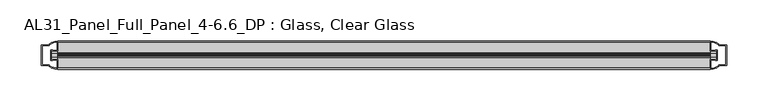
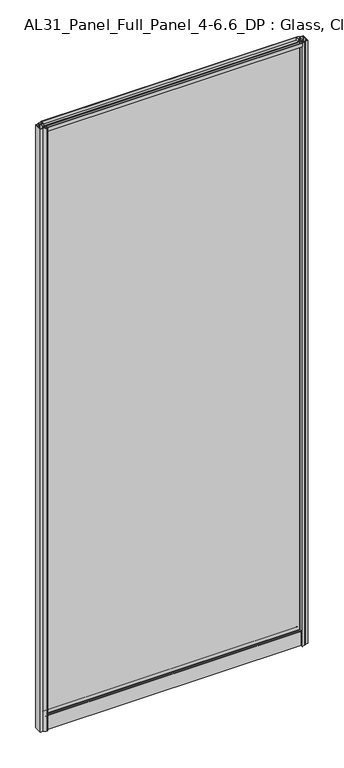
"""IFC4 building model written with IfcOpenShell, lengths in millimetres: plate geometry, AL31_Panel_Full_Panel_4-6.6_DP : Glass, Clear Glass."""

from ifc_helpers import new_model, si_unit, point, frame, frame_2d, origin, origin_with_axes, place, context, project, spatial, polyline, circle_curve, trimmed, segment, composite_curve, outline, extrude, source, transform, mapped, element, save


def al31_panel_full_panel_4_6_6_dp_glass_clear_glass_053a54f6(model_context):
    return source(origin(), model_context, "Body", "SweptSolid", [
        extrude(outline(composite_curve([segment(trimmed(circle_curve(frame_2d((-19.957, 1961.8572926)), 3.0), [point((-18.457, 1964.4553688))], [point((-17.4851586, 1960.1572926))], False, "CARTESIAN"), True, "CONTINUOUS"), segment(polyline([(-17.4851586, 1960.1572926), (-4.157, 1960.1572926), (-4.157, 1969.5572926), (-2.857, 1969.5572926), (-2.857, 1959.0572926), (-13.1545312, 1959.0572926), (-13.1545312, 1958.2572926), (-13.6601218, 1956.3357964), (-13.6601218, 1951.6572926), (-14.857, 1951.6572926), (-14.857, 1956.9912672), (-14.357, 1957.8572926), (-14.357, 1959.0572926), (-25.357, 1959.0572926), (-25.357, 1957.8572926), (-24.857, 1956.9912672), (-24.857, 1951.6572926), (-26.0538782, 1951.6572926), (-26.0538782, 1956.3357964), (-26.5594688, 1958.2572926), (-26.5594688, 1959.0572926), (-36.857, 1959.0572926), (-36.857, 1969.5572926), (-35.557, 1969.5572926), (-35.557, 1960.1572926), (-22.4288414, 1960.1572926)]), True, "CONTINUOUS"), segment(trimmed(circle_curve(frame_2d((-19.957, 1961.8572926)), 3.0), [point((-22.4288414, 1960.1572926))], [point((-21.457, 1964.4553688))], False, "CARTESIAN"), True, "CONTINUOUS"), segment(polyline([(-21.457, 1964.4553688), (-20.907, 1963.5027409)]), True, "CONTINUOUS"), segment(trimmed(circle_curve(frame_2d((-19.957, 1961.8572926)), 1.9), [point((-20.907, 1963.5027409))], [point((-19.007, 1963.5027409))], True, "CARTESIAN"), True, "CONTINUOUS"), segment(polyline([(-19.007, 1963.5027409), (-18.457, 1964.4553688)]), True, "CONTINUOUS")], self_intersect=False)), frame((-393.8301316, 0.0, 0.0), z_axis=(1.0, 0.0, 0.0), x_axis=(0.0, 1.0, 0.0)), (0.0, 0.0, 1.0), 787.6602632),
        extrude(outline(composite_curve([segment(polyline([(-11.457, 35.8), (-28.257, 35.8)]), True, "CONTINUOUS"), segment(trimmed(circle_curve(frame_2d((-28.257, 34.8)), 1.0), [point((-28.257, 35.8))], [point((-29.257, 34.8))], True, "CARTESIAN"), True, "CONTINUOUS"), segment(polyline([(-29.257, 34.8), (-29.257, 33.5), (-24.8569697, 33.5), (-24.8569697, 32.3), (-29.257, 32.3), (-29.257, 0.0), (-30.457, 0.0), (-30.457, 47.3)]), True, "CONTINUOUS"), segment(trimmed(circle_curve(frame_2d((-28.457, 47.3)), 2.0), [point((-30.457, 47.3))], [point((-28.457, 49.3))], False, "CARTESIAN"), True, "CONTINUOUS"), segment(polyline([(-28.457, 49.3), (-24.857, 49.3), (-24.857, 41.9), (-14.857, 41.9), (-14.857, 49.3), (-11.257, 49.3)]), True, "CONTINUOUS"), segment(trimmed(circle_curve(frame_2d((-11.257, 47.3)), 2.0), [point((-11.257, 49.3))], [point((-9.257, 47.3))], False, "CARTESIAN"), True, "CONTINUOUS"), segment(polyline([(-9.257, 47.3), (-9.257, 0.0), (-10.457, 0.0), (-10.457, 32.3), (-14.8569697, 32.3), (-14.8569697, 33.5), (-10.457, 33.5), (-10.457, 34.8)]), True, "CONTINUOUS"), segment(trimmed(circle_curve(frame_2d((-11.457, 34.8)), 1.0), [point((-10.457, 34.8))], [point((-11.457, 35.8))], True, "CARTESIAN"), True, "CONTINUOUS")], self_intersect=False), holes=[composite_curve([segment(polyline([(-26.3594688, 41.8), (-26.3594688, 42.9)]), True, "CONTINUOUS"), segment(trimmed(circle_curve(frame_2d((-25.1594688, 42.9)), 1.2), [point((-26.3594688, 42.9))], [point((-25.9768184, 43.7786009))], False, "CARTESIAN"), True, "CONTINUOUS"), segment(polyline([(-25.9768184, 43.7786009), (-25.9768184, 48.2), (-28.257, 48.2)]), True, "CONTINUOUS"), segment(trimmed(circle_curve(frame_2d((-28.257, 47.2)), 1.0), [point((-28.257, 48.2))], [point((-29.257, 47.2))], True, "CARTESIAN"), True, "CONTINUOUS"), segment(polyline([(-29.257, 47.2), (-29.257, 37.04), (-22.6578965, 37.04), (-22.6578965, 38.0725806), (-21.6940508, 38.0725806)]), True, "CONTINUOUS"), segment(trimmed(circle_curve(frame_2d((-19.857, 39.1)), 2.1048387), [point((-21.6940508, 38.0725806))], [point((-18.0199492, 38.0725806))], True, "CARTESIAN"), True, "CONTINUOUS"), segment(polyline([(-18.0199492, 38.0725806), (-17.0561035, 38.0725806), (-17.0561035, 37.04), (-10.457, 37.04), (-10.457, 47.2)]), True, "CONTINUOUS"), segment(trimmed(circle_curve(frame_2d((-11.457, 47.2)), 1.0), [point((-10.457, 47.2))], [point((-11.457, 48.2))], True, "CARTESIAN"), True, "CONTINUOUS"), segment(polyline([(-11.457, 48.2), (-13.7371816, 48.2), (-13.7371816, 43.5786009)]), True, "CONTINUOUS"), segment(trimmed(circle_curve(frame_2d((-14.5545312, 42.7)), 1.2), [point((-13.7371816, 43.5786009))], [point((-13.3545312, 42.7))], False, "CARTESIAN"), True, "CONTINUOUS"), segment(polyline([(-13.3545312, 42.7), (-13.3545312, 41.8)]), True, "CONTINUOUS"), segment(trimmed(circle_curve(frame_2d((-14.3545312, 41.8)), 1.0), [point((-13.3545312, 41.8))], [point((-14.3545312, 40.8))], False, "CARTESIAN"), True, "CONTINUOUS"), segment(polyline([(-14.3545312, 40.8), (-17.0561035, 40.8), (-17.0561035, 39.7274194), (-18.0199492, 39.7274194)]), True, "CONTINUOUS"), segment(trimmed(circle_curve(frame_2d((-19.857, 38.7)), 2.1048387), [point((-18.0199492, 39.7274194))], [point((-21.6940508, 39.7274194))], True, "CARTESIAN"), True, "CONTINUOUS"), segment(polyline([(-21.6940508, 39.7274194), (-22.6578965, 39.7274194), (-22.6578965, 40.8), (-25.3594688, 40.8)]), True, "CONTINUOUS"), segment(trimmed(circle_curve(frame_2d((-25.3594688, 41.8)), 1.0), [point((-25.3594688, 40.8))], [point((-26.3594688, 41.8))], False, "CARTESIAN"), True, "CONTINUOUS")], self_intersect=False)]), frame((-393.8301316, 0.0, 0.0), z_axis=(1.0, 0.0, 0.0), x_axis=(0.0, 1.0, 0.0)), (0.0, 0.0, 1.0), 787.6602632),
        extrude(outline(composite_curve([segment(polyline([(-401.671553, -25.757), (-400.471553, -25.757), (-400.471553, -24.857), (-393.8301316, -24.857), (-393.8301316, -36.8571453)]), True, "CONTINUOUS"), segment(trimmed(circle_curve(frame_2d((-393.46548, -16.8604698)), 20.0), [point((-393.8301316, -36.8571453))], [point((-405.1859668, -33.0663388))], False, "CARTESIAN"), True, "CONTINUOUS"), segment(polyline([(-405.1859668, -33.0663388), (-405.1859668, -32.1849343), (-413.8301316, -32.1849343), (-413.8301316, -7.4849343), (-405.1859668, -7.4849343), (-405.1859668, -6.6474751)]), True, "CONTINUOUS"), segment(trimmed(circle_curve(frame_2d((-393.46548, -22.8533441)), 20.0), [point((-405.1859668, -6.6474751))], [point((-393.8301316, -2.8566686))], False, "CARTESIAN"), True, "CONTINUOUS"), segment(polyline([(-393.8301316, -2.8566686), (-393.8301316, -14.857), (-400.471553, -14.857), (-400.471553, -13.957), (-401.671553, -13.957), (-401.671553, -25.757)]), True, "CONTINUOUS")], self_intersect=False), holes=[composite_curve([segment(trimmed(circle_curve(frame_2d((-400.671553, -14.157)), 1.5), [point((-400.671553, -12.657))], [point((-399.3162987, -13.5141269))], False, "CARTESIAN"), True, "CONTINUOUS"), segment(polyline([(-399.3162987, -13.5141269), (-395.571553, -13.5141269), (-395.571553, -8.917777), (-395.1322131, -7.8571168), (-395.1322131, -4.2070183)]), True, "CONTINUOUS"), segment(trimmed(circle_curve(frame_2d((-393.46548, -22.8325921)), 18.7), [point((-395.1322131, -4.2070183))], [point((-403.4722578, -7.0353013))], True, "CARTESIAN"), True, "CONTINUOUS"), segment(trimmed(circle_curve(frame_2d((-405.271553, -6.9849343)), 1.8), [point((-403.4722578, -7.0353013))], [point((-405.271553, -8.7849343))], False, "CARTESIAN"), True, "CONTINUOUS"), segment(polyline([(-405.271553, -8.7849343), (-412.4129743, -8.7849343), (-412.4129743, -13.3550394), (-411.971553, -14.417777), (-411.971553, -25.2520916), (-412.471553, -26.2449987), (-412.471553, -30.8849343), (-405.271553, -30.8849343)]), True, "CONTINUOUS"), segment(trimmed(circle_curve(frame_2d((-405.271553, -32.6849343)), 1.8), [point((-405.271553, -30.8849343))], [point((-403.4722578, -32.6345673))], False, "CARTESIAN"), True, "CONTINUOUS"), segment(trimmed(circle_curve(frame_2d((-393.46548, -16.8372765)), 18.7), [point((-403.4722578, -32.6345673))], [point((-395.1322131, -35.4628503))], True, "CARTESIAN"), True, "CONTINUOUS"), segment(polyline([(-395.1322131, -35.4628503), (-395.1322131, -31.8127518), (-395.571553, -30.7520916), (-395.571553, -26.1561308), (-399.2964012, -26.1561308)]), True, "CONTINUOUS"), segment(trimmed(circle_curve(frame_2d((-400.671553, -25.557)), 1.5), [point((-399.2964012, -26.1561308))], [point((-400.671553, -27.057))], False, "CARTESIAN"), True, "CONTINUOUS"), segment(polyline([(-400.671553, -27.057), (-402.971553, -27.057), (-402.971553, -12.657), (-400.671553, -12.657)]), True, "CONTINUOUS")], self_intersect=False)]), origin_with_axes(), (0.0, 0.0, 1.0), 1969.5572926),
        extrude(outline(composite_curve([segment(polyline([(401.671553, -13.957), (400.471553, -13.957), (400.471553, -14.857), (393.8301316, -14.857), (393.8301316, -2.8568547)]), True, "CONTINUOUS"), segment(trimmed(circle_curve(frame_2d((393.46548, -22.8535302)), 20.0), [point((393.8301316, -2.8568547))], [point((405.1859668, -6.6476612))], False, "CARTESIAN"), True, "CONTINUOUS"), segment(polyline([(405.1859668, -6.6476612), (405.1859668, -7.5290657), (413.8301316, -7.5290657), (413.8301316, -32.2290657), (405.1859668, -32.2290657), (405.1859668, -33.0665249)]), True, "CONTINUOUS"), segment(trimmed(circle_curve(frame_2d((393.46548, -16.8606559)), 20.0), [point((405.1859668, -33.0665249))], [point((393.8301316, -36.8573314))], False, "CARTESIAN"), True, "CONTINUOUS"), segment(polyline([(393.8301316, -36.8573314), (393.8301316, -24.857), (400.471553, -24.857), (400.471553, -25.757), (401.671553, -25.757), (401.671553, -13.957)]), True, "CONTINUOUS")], self_intersect=False), holes=[composite_curve([segment(trimmed(circle_curve(frame_2d((400.671553, -25.557)), 1.5), [point((400.671553, -27.057))], [point((399.3162987, -26.1998731))], False, "CARTESIAN"), True, "CONTINUOUS"), segment(polyline([(399.3162987, -26.1998731), (395.571553, -26.1998731), (395.571553, -30.796223), (395.1322131, -31.8568832), (395.1322131, -35.5069817)]), True, "CONTINUOUS"), segment(trimmed(circle_curve(frame_2d((393.46548, -16.8814079)), 18.7), [point((395.1322131, -35.5069817))], [point((403.4722578, -32.6786987))], True, "CARTESIAN"), True, "CONTINUOUS"), segment(trimmed(circle_curve(frame_2d((405.271553, -32.7290657)), 1.8), [point((403.4722578, -32.6786987))], [point((405.271553, -30.9290657))], False, "CARTESIAN"), True, "CONTINUOUS"), segment(polyline([(405.271553, -30.9290657), (412.4129743, -30.9290657), (412.4129743, -26.3589606), (411.971553, -25.296223), (411.971553, -14.4619084), (412.471553, -13.4690013), (412.471553, -8.8290657), (405.271553, -8.8290657)]), True, "CONTINUOUS"), segment(trimmed(circle_curve(frame_2d((405.271553, -7.0290657)), 1.8), [point((405.271553, -8.8290657))], [point((403.4722578, -7.0794327))], False, "CARTESIAN"), True, "CONTINUOUS"), segment(trimmed(circle_curve(frame_2d((393.46548, -22.8767235)), 18.7), [point((403.4722578, -7.0794327))], [point((395.1322131, -4.2511497))], True, "CARTESIAN"), True, "CONTINUOUS"), segment(polyline([(395.1322131, -4.2511497), (395.1322131, -7.9012482), (395.571553, -8.9619084), (395.571553, -13.5578692), (399.2964012, -13.5578692)]), True, "CONTINUOUS"), segment(trimmed(circle_curve(frame_2d((400.671553, -14.157)), 1.5), [point((399.2964012, -13.5578692))], [point((400.671553, -12.657))], False, "CARTESIAN"), True, "CONTINUOUS"), segment(polyline([(400.671553, -12.657), (402.971553, -12.657), (402.971553, -27.057), (400.671553, -27.057)]), True, "CONTINUOUS")], self_intersect=False)]), origin_with_axes(), (0.0, 0.0, 1.0), 1969.5572926),
        extrude(outline(polyline([(401.671553, -17.857), (401.671553, -21.857), (-401.671553, -21.857), (-401.671553, -17.857), (401.671553, -17.857)])), frame((0.0, 0.0, 41.9), z_axis=(0.0, 0.0, 1.0), x_axis=(1.0, 0.0, 0.0)), (0.0, 0.0, 1.0), 1917.1572926),
    ])


if __name__ == "__main__":
    model = new_model("IFC4")
    model_context = context("Model", 3, world=origin())
    ifc_project = project(units=[si_unit("LENGTHUNIT", "METRE", prefix="MILLI")], contexts=[model_context])
    site = spatial("IfcSite", under=ifc_project)
    building = spatial("IfcBuilding", under=site)
    placement = place(None, origin())
    al31_panel_full_panel_4_6_6_dp_glass_clear_glass_shape = al31_panel_full_panel_4_6_6_dp_glass_clear_glass_053a54f6(model_context)
    element("IfcPlate", 1, ObjectType="AL31_Panel_Full_Panel_4-6.6_DP : Glass, Clear Glass", at=placement, inside=building, context=model_context, shape_type="MappedRepresentation", body=[
        mapped(al31_panel_full_panel_4_6_6_dp_glass_clear_glass_shape, transform((0.0, 0.0, 0.0), x_axis=(1.0, 0.0, 0.0), y_axis=(0.0, 1.0, 0.0), z_axis=(0.0, 0.0, 1.0))),
    ])
    save(model, "model.ifc")
